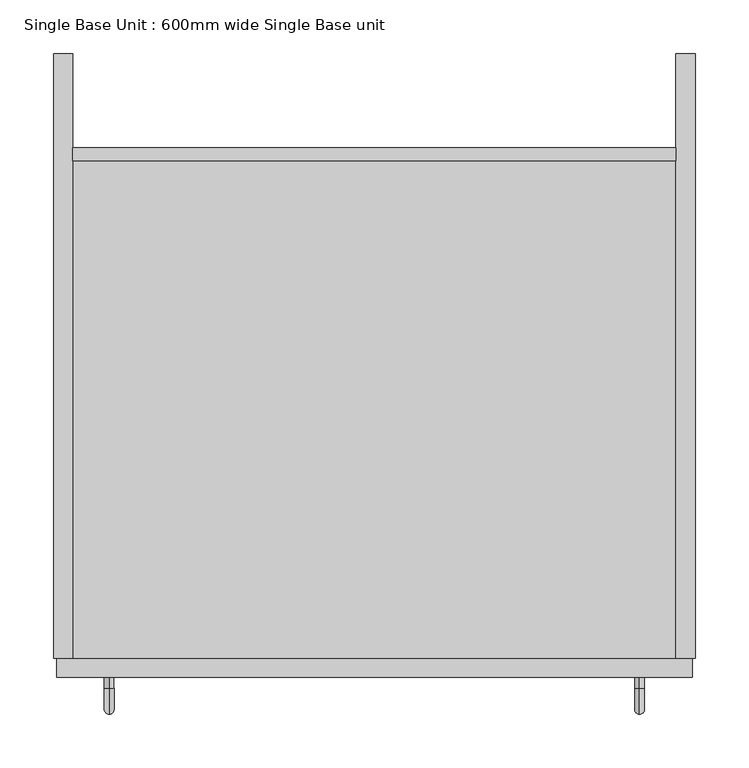
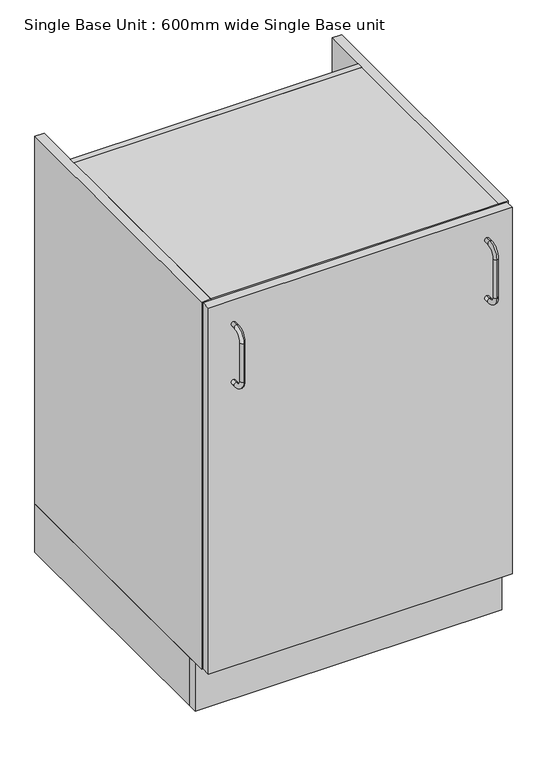
"""IFC4 building model written with IfcOpenShell, lengths in millimetres: furniture geometry, Single Base Unit : 600mm wide Single Base unit."""

from ifc_helpers import new_model, si_unit, point, frame, origin, origin_with_axes, place, context, project, spatial, polyline, circle_curve, ellipse_curve, trimmed, outline, extrude, source, transform, mapped, element, save
from ifc_brep_helpers import plane_surface, cylinder_surface, revolved_surface, advanced_brep


def single_base_unit_600mm_wide_single_base_unit_ef20f50e(model_context):
    return source(origin(), model_context, "Body", "SolidModel", [
        advanced_brep(
        [(392.6690764, -583.0, 812.4785526), (392.6690764, -583.0, 803.4785526), (392.6690764, -593.0, 812.4785526), (392.6690764, -593.0, 803.4785526), (392.6690764, -608.5, 787.9785526), (392.6690764, -617.5, 787.9785526), (392.6690764, -617.5, 707.9785526), (392.6690764, -608.5, 707.9785526), (392.6690764, -593.0, 692.4785526), (392.6690764, -593.0, 683.4785526), (392.6690764, -583.0, 683.4785526), (392.6690764, -583.0, 692.4785526)],
        [
            (0, 1, circle_curve(frame((392.6690764, -583.0, 807.9785526), z_axis=(0.0, 1.0, 0.0), x_axis=(0.0, 0.0, -1.0)), 4.5)),
            (1, 0, circle_curve(frame((392.6690764, -583.0, 807.9785526), z_axis=(0.0, 1.0, 0.0), x_axis=(0.0, 0.0, -1.0)), 4.5)),
            (0, 2),
            (2, 3, circle_curve(frame((392.6690764, -593.0, 807.9785526), z_axis=(0.0, 1.0, 0.0), x_axis=(0.0, 0.0, -1.0)), 4.5)),
            (3, 1),
            (3, 2, circle_curve(frame((392.6690764, -593.0, 807.9785526), z_axis=(0.0, 1.0, 0.0), x_axis=(0.0, 0.0, -1.0)), 4.5)),
            (4, 3, circle_curve(frame((392.6690764, -593.0, 787.9785526), z_axis=(-1.0, 0.0, 0.0), x_axis=(0.0, 0.0, 1.0)), 15.5)),
            (2, 5, circle_curve(frame((392.6690764, -593.0, 787.9785526), z_axis=(1.0, 0.0, 0.0), x_axis=(0.0, 0.0, 1.0)), 24.5)),
            (5, 4, circle_curve(frame((392.6690764, -613.0, 787.9785526), z_axis=(0.0, 0.0, 1.0), x_axis=(0.0, 1.0, 0.0)), 4.5)),
            (4, 5, circle_curve(frame((392.6690764, -613.0, 787.9785526), z_axis=(0.0, 0.0, 1.0), x_axis=(0.0, 1.0, 0.0)), 4.5)),
            (5, 6),
            (6, 7, circle_curve(frame((392.6690764, -613.0, 707.9785526), z_axis=(0.0, 0.0, 1.0), x_axis=(0.0, 1.0, 0.0)), 4.5)),
            (7, 4),
            (7, 6, circle_curve(frame((392.6690764, -613.0, 707.9785526), z_axis=(0.0, 0.0, 1.0), x_axis=(0.0, 1.0, 0.0)), 4.5)),
            (8, 7, circle_curve(frame((392.6690764, -593.0, 707.9785526), z_axis=(-1.0, 0.0, 0.0), x_axis=(0.0, -1.0, 0.0)), 15.5)),
            (6, 9, circle_curve(frame((392.6690764, -593.0, 707.9785526), z_axis=(1.0, 0.0, 0.0), x_axis=(0.0, -1.0, 0.0)), 24.5)),
            (9, 8, circle_curve(frame((392.6690764, -593.0, 687.9785526), z_axis=(0.0, -1.0, 0.0), x_axis=(0.0, 0.0, 1.0)), 4.5)),
            (8, 9, circle_curve(frame((392.6690764, -593.0, 687.9785526), z_axis=(0.0, -1.0, 0.0), x_axis=(0.0, 0.0, 1.0)), 4.5)),
            (10, 11, circle_curve(frame((392.6690764, -583.0, 687.9785526), z_axis=(0.0, 1.0, 0.0), x_axis=(0.0, 0.0, 1.0)), 4.5)),
            (11, 10, circle_curve(frame((392.6690764, -583.0, 687.9785526), z_axis=(0.0, 1.0, 0.0), x_axis=(0.0, 0.0, 1.0)), 4.5)),
            (9, 10),
            (11, 8),
        ],
        [
            plane_surface(frame((392.6690764, -583.0, 807.9785526), z_axis=(0.0, 1.0, 0.0), x_axis=(1.0, 0.0, 0.0))),
            cylinder_surface(frame((392.6690764, -583.0, 807.9785526), z_axis=(0.0, 1.0, 0.0), x_axis=(0.0, 0.0, -1.0)), 4.5),
            revolved_surface(trimmed(ellipse_curve(frame((392.6690764, -593.0, 807.9785526), z_axis=(0.0, 1.0, 0.0), x_axis=(0.0, 0.0, -1.0)), 4.5, 4.5), [point((392.6690764, -593.0, 812.4785526))], [point((392.6690764, -593.0, 803.4785526))], True, "CARTESIAN"), (392.6690764, -593.0, 787.9785526), (1.0, 0.0, 0.0)),
            revolved_surface(trimmed(ellipse_curve(frame((392.6690764, -593.0, 807.9785526), z_axis=(0.0, 1.0, 0.0), x_axis=(0.0, 0.0, -1.0)), 4.5, 4.5), [point((392.6690764, -593.0, 803.4785526))], [point((392.6690764, -593.0, 812.4785526))], True, "CARTESIAN"), (392.6690764, -593.0, 787.9785526), (1.0, 0.0, 0.0)),
            cylinder_surface(frame((392.6690764, -613.0, 787.9785526), z_axis=(0.0, 0.0, 1.0), x_axis=(0.0, 1.0, 0.0)), 4.5),
            revolved_surface(trimmed(ellipse_curve(frame((392.6690764, -613.0, 707.9785526), z_axis=(0.0, 0.0, 1.0), x_axis=(0.0, 1.0, 0.0)), 4.5, 4.5), [point((392.6690764, -617.5, 707.9785526))], [point((392.6690764, -608.5, 707.9785526))], True, "CARTESIAN"), (392.6690764, -593.0, 707.9785526), (1.0, 0.0, 0.0)),
            revolved_surface(trimmed(ellipse_curve(frame((392.6690764, -613.0, 707.9785526), z_axis=(0.0, 0.0, 1.0), x_axis=(0.0, 1.0, 0.0)), 4.5, 4.5), [point((392.6690764, -608.5, 707.9785526))], [point((392.6690764, -617.5, 707.9785526))], True, "CARTESIAN"), (392.6690764, -593.0, 707.9785526), (1.0, 0.0, 0.0)),
            plane_surface(frame((392.6690764, -583.0, 687.9785526), z_axis=(0.0, 1.0, 0.0), x_axis=(1.0, 0.0, 0.0))),
            cylinder_surface(frame((392.6690764, -593.0, 687.9785526), z_axis=(0.0, -1.0, 0.0), x_axis=(0.0, 0.0, 1.0)), 4.5),
        ],
        [
            (0, [[1, 2]]),
            (1, [[-1, 3, 4, 5]]),
            (1, [[-2, -5, 6, -3]]),
            (2, [[7, -4, 8, 9]]),
            (3, [[-8, -6, -7, 10]]),
            (4, [[-9, 11, 12, 13]]),
            (4, [[-10, -13, 14, -11]]),
            (5, [[15, -12, 16, 17]]),
            (6, [[-16, -14, -15, 18]]),
            (7, [[19, 20]]),
            (8, [[-17, 21, -20, 22]]),
            (8, [[-18, -22, -19, -21]]),
        ],
    ),
        advanced_brep(
        [(-103.2684236, -583.0, 812.4785526), (-103.2684236, -583.0, 803.4785526), (-103.2684236, -593.0, 803.4785526), (-103.2684236, -593.0, 812.4785526), (-103.2684236, -608.5, 787.9785526), (-103.2684236, -617.5, 787.9785526), (-103.2684236, -608.5, 707.9785526), (-103.2684236, -617.5, 707.9785526), (-103.2684236, -593.0, 692.4785526), (-103.2684236, -593.0, 683.4785526), (-103.2684236, -583.0, 683.4785526), (-103.2684236, -583.0, 692.4785526)],
        [
            (0, 1, circle_curve(frame((-103.2684236, -583.0, 807.9785526), z_axis=(0.0, 1.0, 0.0), x_axis=(0.0, 0.0, -1.0)), 4.5)),
            (1, 0, circle_curve(frame((-103.2684236, -583.0, 807.9785526), z_axis=(0.0, 1.0, 0.0), x_axis=(0.0, 0.0, -1.0)), 4.5)),
            (1, 2),
            (2, 3, circle_curve(frame((-103.2684236, -593.0, 807.9785526), z_axis=(0.0, 1.0, 0.0), x_axis=(0.0, 0.0, -1.0)), 4.5)),
            (3, 0),
            (3, 2, circle_curve(frame((-103.2684236, -593.0, 807.9785526), z_axis=(0.0, 1.0, 0.0), x_axis=(0.0, 0.0, -1.0)), 4.5)),
            (4, 5, circle_curve(frame((-103.2684236, -613.0, 787.9785526), z_axis=(0.0, 0.0, 1.0), x_axis=(0.0, 1.0, 0.0)), 4.5)),
            (5, 3, circle_curve(frame((-103.2684236, -593.0, 787.9785526), z_axis=(-1.0, 0.0, 0.0), x_axis=(0.0, 0.0, 1.0)), 24.5)),
            (2, 4, circle_curve(frame((-103.2684236, -593.0, 787.9785526), z_axis=(1.0, 0.0, 0.0), x_axis=(0.0, 0.0, 1.0)), 15.5)),
            (5, 4, circle_curve(frame((-103.2684236, -613.0, 787.9785526), z_axis=(0.0, 0.0, 1.0), x_axis=(0.0, 1.0, 0.0)), 4.5)),
            (4, 6),
            (6, 7, circle_curve(frame((-103.2684236, -613.0, 707.9785526), z_axis=(0.0, 0.0, 1.0), x_axis=(0.0, 1.0, 0.0)), 4.5)),
            (7, 5),
            (7, 6, circle_curve(frame((-103.2684236, -613.0, 707.9785526), z_axis=(0.0, 0.0, 1.0), x_axis=(0.0, 1.0, 0.0)), 4.5)),
            (8, 9, circle_curve(frame((-103.2684236, -593.0, 687.9785526), z_axis=(0.0, -1.0, 0.0), x_axis=(0.0, 0.0, 1.0)), 4.5)),
            (9, 7, circle_curve(frame((-103.2684236, -593.0, 707.9785526), z_axis=(-1.0, 0.0, 0.0), x_axis=(0.0, -1.0, 0.0)), 24.5)),
            (6, 8, circle_curve(frame((-103.2684236, -593.0, 707.9785526), z_axis=(1.0, 0.0, 0.0), x_axis=(0.0, -1.0, 0.0)), 15.5)),
            (9, 8, circle_curve(frame((-103.2684236, -593.0, 687.9785526), z_axis=(0.0, -1.0, 0.0), x_axis=(0.0, 0.0, 1.0)), 4.5)),
            (10, 11, circle_curve(frame((-103.2684236, -583.0, 687.9785526), z_axis=(0.0, 1.0, 0.0), x_axis=(0.0, 0.0, 1.0)), 4.5)),
            (11, 10, circle_curve(frame((-103.2684236, -583.0, 687.9785526), z_axis=(0.0, 1.0, 0.0), x_axis=(0.0, 0.0, 1.0)), 4.5)),
            (8, 11),
            (10, 9),
        ],
        [
            plane_surface(frame((-103.2684236, -583.0, 807.9785526), z_axis=(0.0, 1.0, 0.0), x_axis=(-1.0, 0.0, 0.0))),
            cylinder_surface(frame((-103.2684236, -583.0, 807.9785526), z_axis=(0.0, 1.0, 0.0), x_axis=(0.0, 0.0, -1.0)), 4.5),
            revolved_surface(trimmed(ellipse_curve(frame((-103.2684236, -593.0, 807.9785526), z_axis=(0.0, -1.0, 0.0), x_axis=(0.0, 0.0, -1.0)), 4.5, 4.5), [point((-103.2684236, -593.0, 812.4785526))], [point((-103.2684236, -593.0, 803.4785526))], True, "CARTESIAN"), (-103.2684236, -593.0, 787.9785526), (-1.0, 0.0, 0.0)),
            revolved_surface(trimmed(ellipse_curve(frame((-103.2684236, -593.0, 807.9785526), z_axis=(0.0, -1.0, 0.0), x_axis=(0.0, 0.0, -1.0)), 4.5, 4.5), [point((-103.2684236, -593.0, 803.4785526))], [point((-103.2684236, -593.0, 812.4785526))], True, "CARTESIAN"), (-103.2684236, -593.0, 787.9785526), (-1.0, 0.0, 0.0)),
            cylinder_surface(frame((-103.2684236, -613.0, 787.9785526), z_axis=(0.0, 0.0, 1.0), x_axis=(0.0, 1.0, 0.0)), 4.5),
            revolved_surface(trimmed(ellipse_curve(frame((-103.2684236, -613.0, 707.9785526), z_axis=(0.0, 0.0, -1.0), x_axis=(0.0, 1.0, 0.0)), 4.5, 4.5), [point((-103.2684236, -617.5, 707.9785526))], [point((-103.2684236, -608.5, 707.9785526))], True, "CARTESIAN"), (-103.2684236, -593.0, 707.9785526), (-1.0, 0.0, 0.0)),
            revolved_surface(trimmed(ellipse_curve(frame((-103.2684236, -613.0, 707.9785526), z_axis=(0.0, 0.0, -1.0), x_axis=(0.0, 1.0, 0.0)), 4.5, 4.5), [point((-103.2684236, -608.5, 707.9785526))], [point((-103.2684236, -617.5, 707.9785526))], True, "CARTESIAN"), (-103.2684236, -593.0, 707.9785526), (-1.0, 0.0, 0.0)),
            plane_surface(frame((-103.2684236, -583.0, 687.9785526), z_axis=(0.0, 1.0, 0.0), x_axis=(-1.0, 0.0, 0.0))),
            cylinder_surface(frame((-103.2684236, -593.0, 687.9785526), z_axis=(0.0, -1.0, 0.0), x_axis=(0.0, 0.0, 1.0)), 4.5),
        ],
        [
            (0, [[1, 2]]),
            (1, [[3, 4, 5, -2]]),
            (1, [[-5, 6, -3, -1]]),
            (2, [[7, 8, -4, 9]]),
            (3, [[10, -9, -6, -8]]),
            (4, [[11, 12, 13, -7]]),
            (4, [[-13, 14, -11, -10]]),
            (5, [[15, 16, -12, 17]]),
            (6, [[18, -17, -14, -16]]),
            (7, [[19, 20]]),
            (8, [[21, -19, 22, -15]]),
            (8, [[-22, -20, -21, -18]]),
        ],
    ),
        extrude(outline(polyline([(442.2003264, -583.0), (-152.2996736, -583.0), (-152.2996736, -565.0), (442.2003264, -565.0), (442.2003264, -583.0)])), frame((0.0, 0.0, 100.0), z_axis=(0.0, 0.0, 1.0), x_axis=(1.0, 0.0, 0.0)), (0.0, 0.0, 1.0), 757.5),
        extrude(outline(polyline([(426.7003264, -88.0), (426.7003264, -100.0), (-137.2996736, -100.0), (-137.2996736, -88.0), (426.7003264, -88.0)])), frame((0.0, 0.0, 100.0), z_axis=(0.0, 0.0, 1.0), x_axis=(1.0, 0.0, 0.0)), (0.0, 0.0, 1.0), 760.0),
        extrude(outline(polyline([(426.7003264, 0.0), (444.7003264, 0.0), (444.7003264, -565.0), (426.7003264, -565.0), (426.7003264, 0.0)])), frame((0.0, 0.0, 100.0), z_axis=(0.0, 0.0, 1.0), x_axis=(1.0, 0.0, 0.0)), (0.0, 0.0, 1.0), 760.0),
        extrude(outline(polyline([(-137.2996736, 0.0), (-137.2996736, -565.0), (-155.2996736, -565.0), (-155.2996736, 0.0), (-137.2996736, 0.0)])), frame((0.0, 0.0, 100.0), z_axis=(0.0, 0.0, 1.0), x_axis=(1.0, 0.0, 0.0)), (0.0, 0.0, 1.0), 760.0),
        extrude(outline(polyline([(444.7003264, -525.0), (444.7003264, -543.0), (-155.2996736, -543.0), (-155.2996736, -525.0), (444.7003264, -525.0)])), origin_with_axes(), (0.0, 0.0, 1.0), 100.0),
        extrude(outline(polyline([(-155.2996736, 0.0), (-137.2996736, 0.0), (-137.2996736, -525.0), (-155.2996736, -525.0), (-155.2996736, 0.0)])), origin_with_axes(), (0.0, 0.0, 1.0), 100.0),
        extrude(outline(polyline([(444.7003264, 0.0), (444.7003264, -525.0), (426.7003264, -525.0), (426.7003264, 0.0), (444.7003264, 0.0)])), origin_with_axes(), (0.0, 0.0, 1.0), 100.0),
        extrude(outline(polyline([(426.7003264, -565.0), (-137.2996736, -565.0), (-137.2996736, -100.0), (426.7003264, -100.0), (426.7003264, -565.0)])), frame((0.0, 0.0, 100.0), z_axis=(0.0, 0.0, 1.0), x_axis=(1.0, 0.0, 0.0)), (0.0, 0.0, 1.0), 18.0),
        extrude(outline(polyline([(426.7003264, -565.0), (-137.2996736, -565.0), (-137.2996736, -100.0), (426.7003264, -100.0), (426.7003264, -565.0)])), frame((0.0, 0.0, 842.0), z_axis=(0.0, 0.0, 1.0), x_axis=(1.0, 0.0, 0.0)), (0.0, 0.0, 1.0), 18.0),
    ])


if __name__ == "__main__":
    model = new_model("IFC4")
    model_context = context("Model", 3, world=origin())
    ifc_project = project(units=[si_unit("LENGTHUNIT", "METRE", prefix="MILLI")], contexts=[model_context])
    site = spatial("IfcSite", under=ifc_project)
    building = spatial("IfcBuilding", under=site)
    placement = place(None, origin())
    single_base_unit_600mm_wide_single_base_unit_shape = single_base_unit_600mm_wide_single_base_unit_ef20f50e(model_context)
    element("IfcFurniture", 1, ObjectType="Single Base Unit : 600mm wide Single Base unit", at=placement, inside=building, context=model_context, shape_type="MappedRepresentation", body=[
        mapped(single_base_unit_600mm_wide_single_base_unit_shape, transform((0.0, 0.0, 0.0), x_axis=(1.0, 0.0, 0.0), y_axis=(0.0, 1.0, 0.0), z_axis=(0.0, 0.0, 1.0))),
    ])
    save(model, "model.ifc")
